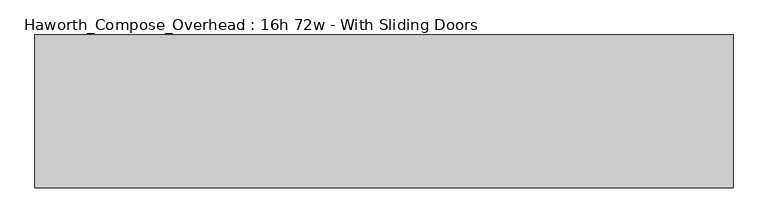
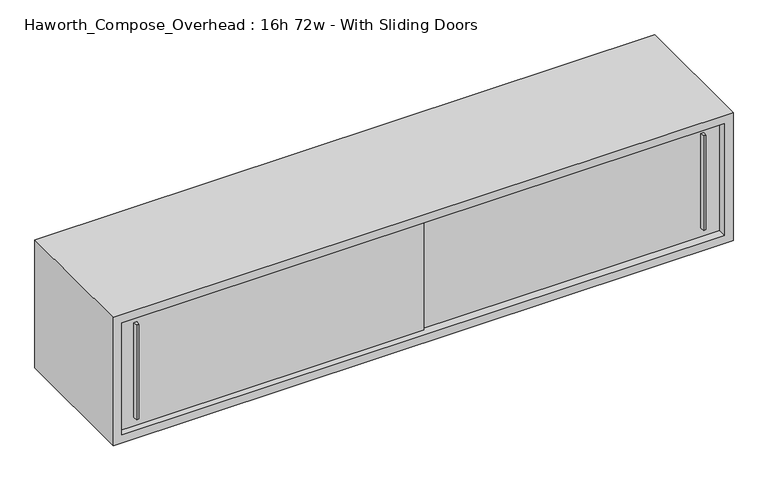
"""IFC4 building model written with IfcOpenShell, lengths in millimetres: furniture geometry, Haworth_Compose_Overhead : 16h 72w - With Sliding Doors."""

from ifc_helpers import new_model, si_unit, frame, origin, place, context, project, spatial, polyline, outline, extrude, source, transform, mapped, element, save


def haworth_compose_overhead_16h_72w_with_sliding_doors_40356f10(model_context):
    return source(origin(), model_context, "Body", "SweptSolid", [
        extrude(outline(polyline([(1006.4750004, -387.3499879), (1000.1249996, -387.3499879), (998.5375011, -374.65), (1008.0624989, -374.65), (1006.4750004, -387.3499879)])), frame((0.0, 0.0, 1322.3875), z_axis=(0.0, 0.0, 1.0), x_axis=(1.0, 0.0, 0.0)), (0.0, 0.0, 1.0), 295.275),
        extrude(outline(polyline([(-669.9249996, -393.6999879), (-676.2750004, -393.6999879), (-677.8624989, -381.0), (-668.3375011, -381.0), (-669.9249996, -393.6999879)])), frame((0.0, 0.0, 1322.3875), z_axis=(0.0, 0.0, 1.0), x_axis=(1.0, 0.0, 0.0)), (0.0, 0.0, 1.0), 295.275),
        extrude(outline(polyline([(-723.9, -374.65), (177.8, -374.65), (177.8, -381.0), (-723.9, -381.0), (-723.9, -374.65)])), frame((0.0, 0.0, 1295.4), z_axis=(0.0, 0.0, 1.0), x_axis=(1.0, 0.0, 0.0)), (0.0, 0.0, 1.0), 349.25),
        extrude(outline(polyline([(152.4, -368.3), (1054.1, -368.3), (1054.1, -374.65), (152.4, -374.65), (152.4, -368.3)])), frame((0.0, 0.0, 1295.4), z_axis=(0.0, 0.0, 1.0), x_axis=(1.0, 0.0, 0.0)), (0.0, 0.0, 1.0), 349.25),
        extrude(outline(polyline([(1054.1, -6.35), (-723.9, -6.35), (-723.9, 0.0), (1054.1, 0.0), (1054.1, -6.35)])), frame((0.0, 0.0, 1295.4), z_axis=(0.0, 0.0, 1.0), x_axis=(1.0, 0.0, 0.0)), (0.0, 0.0, 1.0), 349.25),
        extrude(outline(polyline([(1270.0, 1079.5), (1670.05, 1079.5), (1670.05, -749.3), (1270.0, -749.3), (1270.0, 1079.5)]), holes=[polyline([(1644.65, 1054.1), (1295.4, 1054.1), (1295.4, -723.9), (1644.65, -723.9), (1644.65, 1054.1)])]), frame((0.0, -400.05, 0.0), z_axis=(0.0, 1.0, 0.0), x_axis=(0.0, 0.0, 1.0)), (0.0, 0.0, 1.0), 400.05),
    ])


if __name__ == "__main__":
    model = new_model("IFC4")
    model_context = context("Model", 3, world=origin())
    ifc_project = project(units=[si_unit("LENGTHUNIT", "METRE", prefix="MILLI")], contexts=[model_context])
    site = spatial("IfcSite", under=ifc_project)
    building = spatial("IfcBuilding", under=site)
    placement = place(None, origin())
    haworth_compose_overhead_16h_72w_with_sliding_doors_shape = haworth_compose_overhead_16h_72w_with_sliding_doors_40356f10(model_context)
    element("IfcFurniture", 1, ObjectType="Haworth_Compose_Overhead : 16h 72w - With Sliding Doors", at=placement, inside=building, context=model_context, shape_type="MappedRepresentation", body=[
        mapped(haworth_compose_overhead_16h_72w_with_sliding_doors_shape, transform((0.0, 0.0, 0.0), x_axis=(1.0, 0.0, 0.0), y_axis=(0.0, 1.0, 0.0), z_axis=(0.0, 0.0, 1.0))),
    ])
    save(model, "model.ifc")
